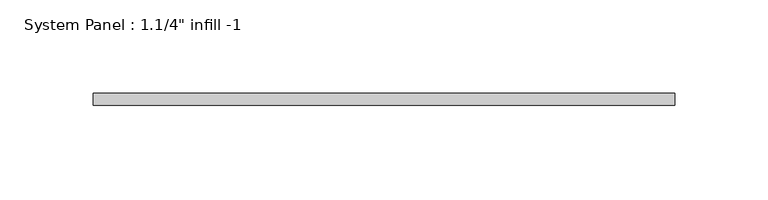
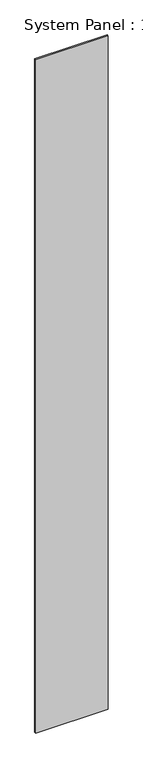
"""IFC4 building model written with IfcOpenShell, lengths in millimetres: plate geometry."""

from ifc_helpers import new_model, si_unit, origin, origin_with_axes, place, context, project, spatial, polyline, outline, extrude, source, transform, mapped, element, save


def plate_fdc47a80(model_context):
    return source(origin(), model_context, "Body", "SweptSolid", [
        extrude(outline(polyline([(155.575, 0.0), (-155.575, 0.0), (-155.575, 6.35), (155.575, 6.35), (155.575, 0.0)])), origin_with_axes(), (0.0, 0.0, 1.0), 3048.0),
    ])


if __name__ == "__main__":
    model = new_model("IFC4")
    model_context = context("Model", 3, world=origin())
    ifc_project = project(units=[si_unit("LENGTHUNIT", "METRE", prefix="MILLI")], contexts=[model_context])
    site = spatial("IfcSite", under=ifc_project)
    building = spatial("IfcBuilding", under=site)
    placement = place(None, origin())
    plate_shape = plate_fdc47a80(model_context)
    element("IfcPlate", 1, ObjectType="System Panel : 1.1/4\" infill -1", at=placement, inside=building, context=model_context, shape_type="MappedRepresentation", body=[
        mapped(plate_shape, transform((0.0, 0.0, 0.0), x_axis=(1.0, 0.0, 0.0), y_axis=(0.0, 1.0, 0.0), z_axis=(0.0, 0.0, 1.0))),
    ])
    save(model, "model.ifc")
